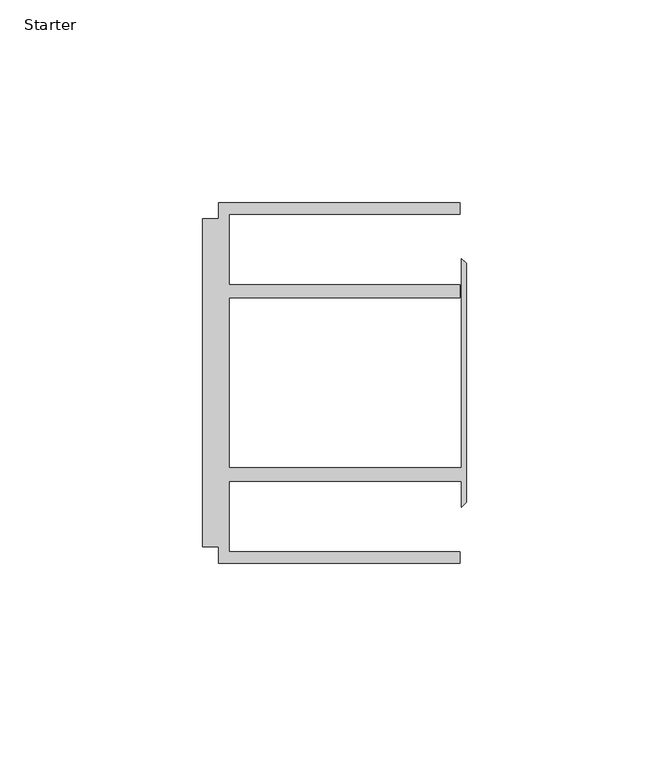
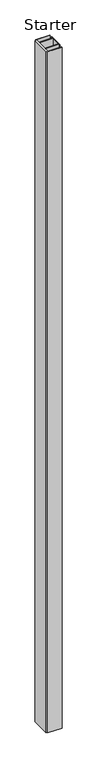
"""IFC4 building model written with IfcOpenShell, lengths in millimetres: furniture geometry, Starter."""

from ifc_helpers import new_model, si_unit, origin, origin_with_axes, place, context, project, spatial, polyline, outline, extrude, source, transform, mapped, element, save


def starter_249bcf14(model_context):
    return source(origin(), model_context, "Body", "SweptSolid", [
        extrude(outline(polyline([(33.9771533, 59.951805), (93.4771531, 59.951805), (93.4771531, 57.1518064), (36.5771534, 57.1518064), (36.5771534, 39.7518058), (93.4771531, 39.7518058), (93.4771531, 36.4518057), (36.5771534, 36.4518057), (36.5771534, -5.4481956), (93.9195633, -5.4481956), (93.9195633, 46.1177636), (95.0646531, 44.9726737), (95.0646531, -13.9690637), (93.9195633, -15.1141535), (93.9195633, -8.7481957), (36.5771534, -8.7481957), (36.5771534, -26.1481963), (93.4771531, -26.1481963), (93.4771531, -28.948195), (33.9771533, -28.948195), (33.9771533, -24.9481962), (29.9771531, -24.9481962), (29.9771531, 55.9518063), (33.9771533, 55.9518063), (33.9771533, 59.951805)])), origin_with_axes(), (0.0, 0.0, 1.0), 3048.0),
    ])


if __name__ == "__main__":
    model = new_model("IFC4")
    model_context = context("Model", 3, world=origin())
    ifc_project = project(units=[si_unit("LENGTHUNIT", "METRE", prefix="MILLI")], contexts=[model_context])
    site = spatial("IfcSite", under=ifc_project)
    building = spatial("IfcBuilding", under=site)
    placement = place(None, origin())
    starter_shape = starter_249bcf14(model_context)
    element("IfcFurniture", 1, ObjectType="Starter", at=placement, inside=building, context=model_context, shape_type="MappedRepresentation", body=[
        mapped(starter_shape, transform((0.0, 0.0, 0.0), x_axis=(1.0, 0.0, 0.0), y_axis=(0.0, 1.0, 0.0), z_axis=(0.0, 0.0, 1.0))),
    ])
    save(model, "model.ifc")
